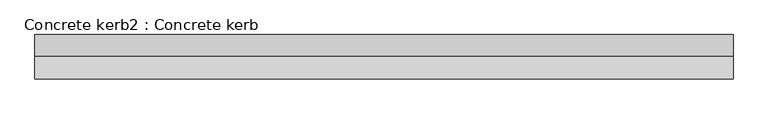
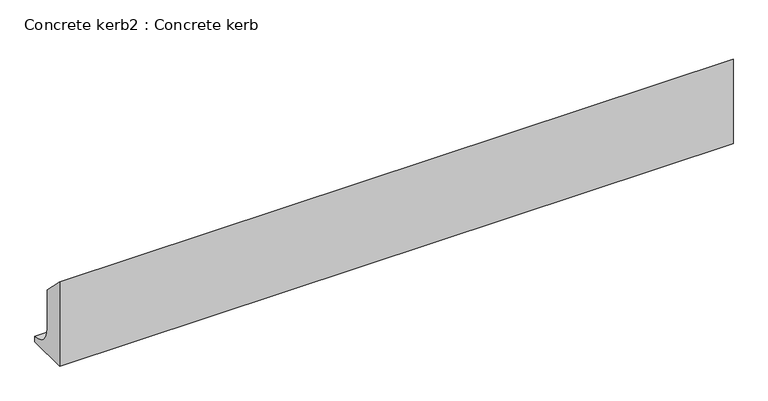
"""IFC4 building model written with IfcOpenShell, lengths in millimetres: proxy geometry, Concrete kerb2 : Concrete kerb."""

from ifc_helpers import new_model, si_unit, point, frame, frame_2d, origin, place, context, project, spatial, polyline, circle_curve, trimmed, segment, composite_curve, outline, extrude, source, transform, mapped, element, save


def concrete_kerb2_concrete_kerb_f28b4d3d(model_context):
    return source(origin(), model_context, "Body", "SweptSolid", [
        extrude(outline(composite_curve([segment(polyline([(982.6461406, 297.0), (1059.6461406, 220.0), (1059.6461406, 75.0)]), True, "CONTINUOUS"), segment(trimmed(circle_curve(frame_2d((1134.6461406, 75.0)), 75.0), [point((1059.6461406, 75.0))], [point((1134.6461406, 0.0))], True, "CARTESIAN"), True, "CONTINUOUS"), segment(polyline([(1134.6461406, 0.0), (1134.6461406, -20.0482875), (982.6461406, -20.0482875), (982.6461406, 297.0)]), True, "CONTINUOUS")], self_intersect=False)), frame((6904.6309284, 0.0, 0.0), z_axis=(1.0, 0.0, 0.0), x_axis=(0.0, 1.0, 0.0)), (0.0, 0.0, 1.0), 2400.0),
    ])


if __name__ == "__main__":
    model = new_model("IFC4")
    model_context = context("Model", 3, world=origin())
    ifc_project = project(units=[si_unit("LENGTHUNIT", "METRE", prefix="MILLI")], contexts=[model_context])
    site = spatial("IfcSite", under=ifc_project)
    building = spatial("IfcBuilding", under=site)
    placement = place(None, origin())
    concrete_kerb2_concrete_kerb_shape = concrete_kerb2_concrete_kerb_f28b4d3d(model_context)
    element("IfcBuildingElementProxy", 1, Name="Concrete kerb2 : Concrete kerb", ObjectType="Concrete kerb2 : Concrete kerb", at=placement, inside=building, context=model_context, shape_type="MappedRepresentation", body=[
        mapped(concrete_kerb2_concrete_kerb_shape, transform((0.0, 0.0, 0.0), x_axis=(1.0, 0.0, 0.0), y_axis=(0.0, 1.0, 0.0), z_axis=(0.0, 0.0, 1.0))),
    ])
    save(model, "model.ifc")
